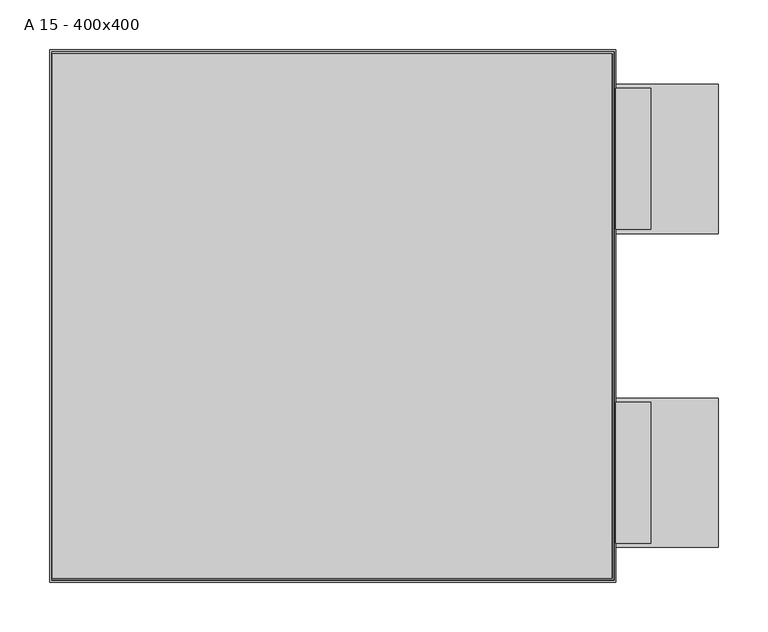
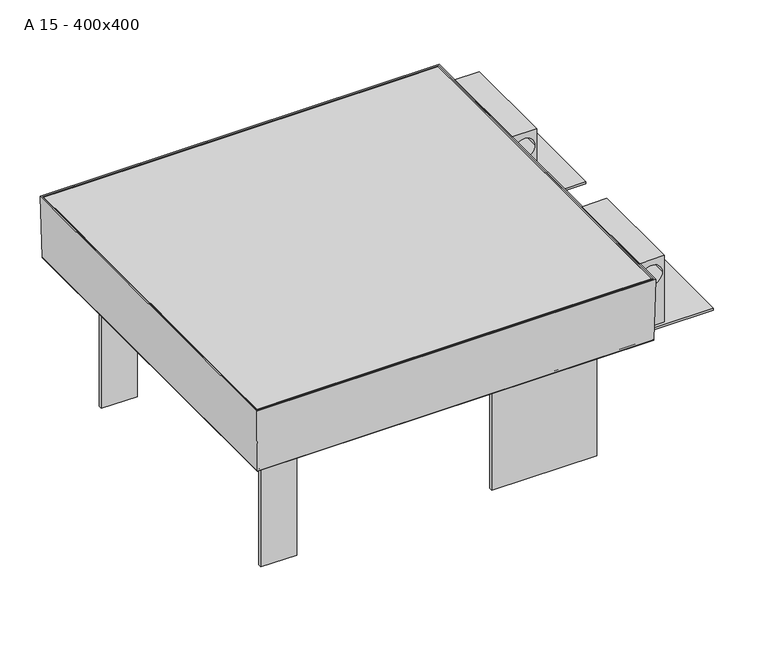
"""IFC4 building model written with IfcOpenShell, lengths in millimetres: proxy geometry, A 15 - 400x400."""

from ifc_helpers import new_model, si_unit, point, frame, frame_2d, origin, place, context, project, spatial, polyline, circle_curve, ellipse_curve, trimmed, segment, composite_curve, outline, extrude, source, transform, mapped, element, save
from ifc_brep_helpers import plane_surface, cylinder_surface, revolved_surface, advanced_brep


def a_15_400x400_4f975222(model_context):
    return source(origin(), model_context, "Body", "SolidModel", [
        extrude(outline(polyline([(238.0, -82.7888671), (388.0, -82.7888671), (388.0, -233.0), (238.0, -233.0), (238.0, -82.7888671)])), frame((0.0, 0.0, -104.0), z_axis=(0.0, 0.0, 1.0), x_axis=(1.0, 0.0, 0.0)), (0.0, 0.0, 1.0), 3.0),
        extrude(outline(polyline([(0.0, 320.0), (0.0, 285.0), (-101.0, 285.0), (-101.0, 320.0), (0.0, 320.0)]), holes=[composite_curve([segment(trimmed(circle_curve(frame_2d((-23.8203371, 302.4245301)), 15.0), [point((-23.8203371, 287.4245301))], [point((-23.8203371, 317.4245301))], True, "CARTESIAN"), True, "CONTINUOUS"), segment(trimmed(circle_curve(frame_2d((-23.8203371, 302.4245301)), 15.0), [point((-23.8203371, 317.4245301))], [point((-23.8203371, 287.4245301))], True, "CARTESIAN"), True, "CONTINUOUS")], self_intersect=False)]), frame((0.0, -228.6519206, 0.0), z_axis=(0.0, 1.0, 0.0), x_axis=(0.0, 0.0, 1.0)), (0.0, 0.0, 1.0), 142.0),
        extrude(outline(polyline([(238.0, 233.0), (388.0, 233.0), (388.0, 82.7888671), (238.0, 82.7888671), (238.0, 233.0)])), frame((0.0, 0.0, -104.0), z_axis=(0.0, 0.0, 1.0), x_axis=(1.0, 0.0, 0.0)), (0.0, 0.0, 1.0), 3.0),
        extrude(outline(polyline([(0.0, 320.0), (0.0, 285.0), (-101.0, 285.0), (-101.0, 320.0), (0.0, 320.0)]), holes=[composite_curve([segment(trimmed(circle_curve(frame_2d((-23.8203371, 302.4245301)), 15.0), [point((-23.8203371, 287.4245301))], [point((-23.8203371, 317.4245301))], True, "CARTESIAN"), True, "CONTINUOUS"), segment(trimmed(circle_curve(frame_2d((-23.8203371, 302.4245301)), 15.0), [point((-23.8203371, 317.4245301))], [point((-23.8203371, 287.4245301))], True, "CARTESIAN"), True, "CONTINUOUS")], self_intersect=False)]), frame((0.0, 87.1369465, 0.0), z_axis=(0.0, 1.0, 0.0), x_axis=(0.0, 0.0, 1.0)), (0.0, 0.0, 1.0), 142.0),
        extrude(outline(polyline([(-190.0, 67.5), (-185.0, 67.5), (-185.0, 2.5), (185.0, 2.5), (185.0, 67.5), (190.0, 67.5), (190.0, -67.5), (185.0, -67.5), (185.0, -2.5), (-185.0, -2.5), (-185.0, -67.5), (-190.0, -67.5), (-190.0, 67.5)])), frame((0.0, 0.0, -134.0), z_axis=(0.0, 0.0, 1.0), x_axis=(1.0, 0.0, 0.0)), (0.0, 0.0, 1.0), 30.0),
        extrude(outline(polyline([(-282.3953955, -208.9987388), (-282.3953955, 208.9987388), (-282.3953955, 263.9987388), (-227.3953955, 263.9987388), (225.9987388, 263.9987388), (280.9987388, 263.9987388), (280.9987388, 208.9987388), (280.9987388, -208.9987388), (280.9987388, -263.9987388), (225.9987388, -263.9987388), (-227.3953955, -263.9987388), (-282.3953955, -263.9987388), (-282.3953955, -208.9987388)])), frame((0.0, 0.0, -5.0), z_axis=(0.0, 0.0, 1.0), x_axis=(1.0, 0.0, 0.0)), (0.0, 0.0, 1.0), 5.0),
        advanced_brep(
        [(-215.5, 198.5, -76.8748363), (-215.5, -198.5, -76.8748363), (215.5, -198.5, -76.8748363), (215.5, 198.5, -76.8748363), (278.9605243, 261.9605243, -80.0), (278.9605243, -261.9605243, -80.0), (-278.9605243, -261.9605243, -80.0), (-278.9605243, 261.9605243, -80.0), (-215.5, 198.5, -77.9987834), (-215.5, -198.5, -77.9987834), (215.5, -198.5, -77.9987834), (215.5, 198.5, -77.9987834), (280.2486912, 263.2486912, -78.7973005), (280.2486912, -263.2486912, -78.7973005), (278.3145448, 261.3145448, -76.8748363), (277.1900014, 260.1900014, -77.9987834), (277.1900014, -260.1900014, -77.9987834), (278.3145448, -261.3145448, -76.8748363), (280.9987388, -263.9987388, 0.0), (280.9987388, 263.9987388, 0.0), (283.0000107, 266.0000107, 0.0), (283.0000107, -266.0000107, 0.0), (-280.2486912, -263.2486912, -78.7973005), (-277.1900014, -260.1900014, -77.9987834), (-278.3145448, -261.3145448, -76.8748363), (-280.9987388, -263.9987388, 0.0), (-283.0000107, -266.0000107, 0.0), (-280.2486912, 263.2486912, -78.7973005), (-277.1900014, 260.1900014, -77.9987834), (-278.3145448, 261.3145448, -76.8748363), (-280.9987388, 263.9987388, 0.0), (-283.0000107, 266.0000107, 0.0)],
        [
            (0, 1),
            (1, 2),
            (2, 3),
            (3, 0),
            (4, 5),
            (5, 6),
            (6, 7),
            (7, 4),
            (0, 8),
            (8, 9),
            (9, 1),
            (9, 10),
            (10, 2),
            (10, 11),
            (11, 3),
            (11, 8),
            (4, 12, ellipse_curve(frame((278.9605243, 261.9605243, -78.7087963), z_axis=(0.7071067811865475, -0.7071067811865475, 0.0), x_axis=(0.7071067811865474, 0.7071067811865476, 0.0)), 1.8260378, 1.2912037)),
            (12, 13),
            (13, 5, ellipse_curve(frame((278.9605243, -261.9605243, -78.7087963), z_axis=(0.7071067811865475, 0.7071067811865475, 0.0), x_axis=(-0.7071067811865474, 0.7071067811865476, 0.0)), 1.8260378, 1.2912037)),
            (14, 15, ellipse_curve(frame((277.0254138, 260.0254138, -76.7095649), z_axis=(-0.7071067811865475, 0.7071067811865475, 0.0), x_axis=(-0.7071067811865474, -0.7071067811865476, 0.0)), 1.838028, 1.2996821)),
            (15, 16),
            (16, 17, ellipse_curve(frame((277.0254138, -260.0254138, -76.7095649), z_axis=(-0.7071067811865475, -0.7071067811865475, 0.0), x_axis=(0.7071067811865474, -0.7071067811865476, 0.0)), 1.838028, 1.2996821)),
            (17, 14),
            (17, 18),
            (18, 19),
            (19, 14),
            (12, 20),
            (20, 21),
            (21, 13),
            (13, 22),
            (22, 6, ellipse_curve(frame((-278.9605243, -261.9605243, -78.7087963), z_axis=(0.7071067811865475, -0.7071067811865475, 0.0), x_axis=(0.7071067811865476, 0.7071067811865474, 0.0)), 1.8260378, 1.2912037)),
            (16, 23),
            (23, 24, ellipse_curve(frame((-277.0254138, -260.0254138, -76.7095649), z_axis=(-0.7071067811865475, 0.7071067811865475, 0.0), x_axis=(-0.7071067811865476, -0.7071067811865474, 0.0)), 1.838028, 1.2996821)),
            (24, 17),
            (24, 25),
            (25, 18),
            (21, 26),
            (26, 22),
            (22, 27),
            (27, 7, ellipse_curve(frame((-278.9605243, 261.9605243, -78.7087963), z_axis=(-0.7071067811865475, -0.7071067811865475, 0.0), x_axis=(0.7071067811865474, -0.7071067811865476, 0.0)), 1.8260378, 1.2912037)),
            (23, 28),
            (28, 29, ellipse_curve(frame((-277.0254138, 260.0254138, -76.7095649), z_axis=(0.7071067811865475, 0.7071067811865475, 0.0), x_axis=(-0.7071067811865474, 0.7071067811865476, 0.0)), 1.838028, 1.2996821)),
            (29, 24),
            (29, 30),
            (30, 25),
            (26, 31),
            (31, 27),
            (27, 12),
            (15, 28),
            (14, 29),
            (19, 30),
            (20, 31),
        ],
        [
            plane_surface(frame((-215.5, -198.5, -76.8748363), z_axis=(0.0, 0.0, 1.0), x_axis=(0.0, -1.0, 0.0))),
            plane_surface(frame((-215.5, -198.5, -80.0), z_axis=(0.0, 0.0, -1.0), x_axis=(0.0, 1.0, 0.0))),
            plane_surface(frame((-215.5, 198.5, -76.8748363), z_axis=(-1.0, 0.0, 0.0), x_axis=(0.0, 0.0, -1.0))),
            plane_surface(frame((-215.5, -198.5, -76.8748363), z_axis=(0.0, -1.0, 0.0), x_axis=(0.0, 0.0, -1.0))),
            plane_surface(frame((215.5, -198.5, -76.8748363), z_axis=(1.0, 0.0, 0.0), x_axis=(0.0, 0.0, -1.0))),
            plane_surface(frame((215.5, 198.5, -76.8748363), z_axis=(0.0, 1.0, 0.0), x_axis=(0.0, 0.0, -1.0))),
            cylinder_surface(frame((278.9605243, 266.0, -78.7087963), z_axis=(0.0, 1.0, 0.0), x_axis=(1.0, 0.0, 0.0)), 1.2912037),
            revolved_surface(polyline([(278.3250959, -261.3250958628108, -76.7095649), (278.3250959, 261.32509586281077, -76.7095649)]), (277.0254138, 266.0, -76.7095649), (0.0, -1.0, 0.0)),
            plane_surface(frame((278.3145448, 261.3145448, -76.8748363), z_axis=(-0.9993909786628093, 0.0, 0.03489515392417886), x_axis=(0.0, -1.0, 0.0))),
            plane_surface(frame((283.0000107, 266.0000107, 0.0), z_axis=(0.9993909786628093, 0.0, -0.03489515392417882), x_axis=(0.0, -1.0, 0.0))),
            cylinder_surface(frame((283.0, -261.9605243, -78.7087963), z_axis=(1.0, 0.0, 0.0), x_axis=(0.0, -1.0, 0.0)), 1.2912037),
            revolved_surface(polyline([(-278.3250958628108, -261.3250959, -76.7095649), (278.32509586281077, -261.3250959, -76.7095649)]), (283.0, -260.0254138, -76.7095649), (-1.0, 0.0, 0.0)),
            plane_surface(frame((278.3145448, -261.3145448, -76.8748363), z_axis=(0.0, 0.9993909786628093, 0.03489515392417886), x_axis=(-1.0, 0.0, 0.0))),
            plane_surface(frame((283.0000107, -266.0000107, 0.0), z_axis=(0.0, -0.9993909786628093, -0.03489515392417882), x_axis=(-1.0, 0.0, 0.0))),
            cylinder_surface(frame((-278.9605243, -266.0, -78.7087963), z_axis=(0.0, -1.0, 0.0), x_axis=(-1.0, 0.0, 0.0)), 1.2912037),
            revolved_surface(polyline([(-278.3250959, 261.3250958628108, -76.7095649), (-278.3250959, -261.32509586281077, -76.7095649)]), (-277.0254138, -266.0, -76.7095649), (0.0, 1.0, 0.0)),
            plane_surface(frame((-278.3145448, -261.3145448, -76.8748363), z_axis=(0.9993909786628093, 0.0, 0.03489515392417886), x_axis=(0.0, 1.0, 0.0))),
            plane_surface(frame((-283.0000107, -266.0000107, 0.0), z_axis=(-0.9993909786628093, 0.0, -0.03489515392417882), x_axis=(0.0, 1.0, 0.0))),
            cylinder_surface(frame((-283.0, 261.9605243, -78.7087963), z_axis=(-1.0, 0.0, 0.0), x_axis=(0.0, 1.0, 0.0)), 1.2912037),
            plane_surface(frame((-247.6109139, 230.6109139, -77.9987834), z_axis=(0.0, 0.0, 1.0), x_axis=(1.0, 0.0, 0.0))),
            revolved_surface(polyline([(278.3250958628108, 261.3250959, -76.7095649), (-278.32509586281077, 261.3250959, -76.7095649)]), (-283.0, 260.0254138, -76.7095649), (1.0, 0.0, 0.0)),
            plane_surface(frame((-278.3145448, 261.3145448, -76.8748363), z_axis=(0.0, -0.9993909786628093, 0.03489515392417886), x_axis=(1.0, 0.0, 0.0))),
            plane_surface(frame((-280.9987388, 263.9987388, 0.0), z_axis=(0.0, 0.0, 1.0), x_axis=(1.0, 0.0, 0.0))),
            plane_surface(frame((-283.0000107, 266.0000107, 0.0), z_axis=(0.0, 0.9993909786628093, -0.03489515392417882), x_axis=(1.0, 0.0, 0.0))),
        ],
        [
            (0, [[1, 2, 3, 4]]),
            (1, [[5, 6, 7, 8]]),
            (2, [[-1, 9, 10, 11]]),
            (3, [[-2, -11, 12, 13]]),
            (4, [[-3, -13, 14, 15]]),
            (5, [[-4, -15, 16, -9]]),
            (6, [[17, 18, 19, -5]]),
            (7, [[20, 21, 22, 23]]),
            (8, [[-23, 24, 25, 26]]),
            (9, [[-18, 27, 28, 29]]),
            (10, [[-19, 30, 31, -6]]),
            (11, [[-22, 32, 33, 34]]),
            (12, [[-24, -34, 35, 36]]),
            (13, [[-29, 37, 38, -30]]),
            (14, [[-31, 39, 40, -7]]),
            (15, [[-33, 41, 42, 43]]),
            (16, [[-35, -43, 44, 45]]),
            (17, [[-38, 46, 47, -39]]),
            (18, [[-17, -8, -40, 48]]),
            (19, [[-21, 49, -41, -32], [-10, -16, -14, -12]]),
            (20, [[-20, 50, -42, -49]]),
            (21, [[-26, 51, -44, -50]]),
            (22, [[-28, 52, -46, -37], [-25, -36, -45, -51]]),
            (23, [[-27, -48, -47, -52]]),
        ],
    ),
        advanced_brep(
        [(282.0603915, 265.0603915, -93.0), (283.3814929, 266.3814929, -91.7973005), (283.3814929, -266.3814929, -91.7973005), (282.0603915, -265.0603915, -93.0), (249.491936, 232.491936, -93.5068236), (250.3495131, 233.3495131, -93.0), (250.3495131, -233.3495131, -93.0), (249.491936, -232.491936, -93.5068236), (239.5430631, 222.5430631, -103.4568727), (239.5430631, -222.5430631, -103.4568727), (238.5631773, 221.5631773, -104.0), (238.5631773, -221.5631773, -104.0), (217.0, 200.0, -102.0), (219.0, 202.0, -104.0), (219.0, -202.0, -104.0), (217.0, -200.0, -102.0), (217.0, 200.0, -91.0), (217.0, -200.0, -91.0), (219.0, 202.0, -91.0), (219.0, -202.0, -91.0), (219.0, -202.0, -100.1412819), (219.0, 202.0, -100.1412819), (220.5596496, 203.5596496, -102.0), (220.5596496, -203.5596496, -102.0), (238.6238392, 221.6238392, -101.5476755), (237.8710448, 220.8710448, -102.0), (237.8710448, -220.8710448, -102.0), (238.6238392, -221.6238392, -101.5476755), (248.7056833, 231.7056833, -91.4646396), (248.7056833, -231.7056833, -91.4646396), (249.6109139, 232.6109139, -90.9987834), (249.6109139, -232.6109139, -90.9987834), (281.414412, 264.414412, -89.9085487), (280.2898686, 263.2898686, -90.9987834), (280.2898686, -263.2898686, -90.9987834), (281.414412, -264.414412, -89.9085487), (282.9987388, 265.9987388, 0.0), (282.9987388, -265.9987388, 0.0), (284.9991024, 267.9991024, 0.0), (284.9991024, -267.9991024, 0.0), (-283.3814929, -266.3814929, -91.7973005), (-282.0603915, -265.0603915, -93.0), (-250.3495131, -233.3495131, -93.0), (-249.491936, -232.491936, -93.5068236), (-239.5430631, -222.5430631, -103.4568727), (-238.5631773, -221.5631773, -104.0), (-219.0, -202.0, -104.0), (-217.0, -200.0, -102.0), (-217.0, -200.0, -91.0), (-219.0, -202.0, -91.0), (-219.0, -202.0, -100.1412819), (-220.5596496, -203.5596496, -102.0), (-237.8710448, -220.8710448, -102.0), (-238.6238392, -221.6238392, -101.5476755), (-248.7056833, -231.7056833, -91.4646396), (-249.6109139, -232.6109139, -90.9987834), (-280.2898686, -263.2898686, -90.9987834), (-281.414412, -264.414412, -89.9085487), (-282.9987388, -265.9987388, 0.0), (-284.9991024, -267.9991024, 0.0), (-283.3814929, 266.3814929, -91.7973005), (-282.0603915, 265.0603915, -93.0), (-250.3495131, 233.3495131, -93.0), (-249.491936, 232.491936, -93.5068236), (-239.5430631, 222.5430631, -103.4568727), (-238.5631773, 221.5631773, -104.0), (-219.0, 202.0, -104.0), (-217.0, 200.0, -102.0), (-217.0, 200.0, -91.0), (-219.0, 202.0, -91.0), (-219.0, 202.0, -100.1412819), (-220.5596496, 203.5596496, -102.0), (-237.8710448, 220.8710448, -102.0), (-238.6238392, 221.6238392, -101.5476755), (-248.7056833, 231.7056833, -91.4646396), (-249.6109139, 232.6109139, -90.9987834), (-280.2898686, 263.2898686, -90.9987834), (-281.414412, 264.414412, -89.9085487), (-282.9987388, 265.9987388, 0.0), (-284.9991024, 267.9991024, 0.0)],
        [
            (0, 1, ellipse_curve(frame((282.0603915, 265.0603915, -91.6730704), z_axis=(0.7071067811865475, -0.7071067811865475, 0.0), x_axis=(0.7071067811865474, 0.7071067811865476, 0.0)), 1.8765619, 1.3269296)),
            (1, 2),
            (2, 3, ellipse_curve(frame((282.0603915, -265.0603915, -91.6730704), z_axis=(0.7071067811865475, 0.7071067811865475, 0.0), x_axis=(-0.7071067811865474, 0.7071067811865476, 0.0)), 1.8765619, 1.3269296)),
            (3, 0),
            (4, 5, ellipse_curve(frame((250.9062332, 233.9062332, -94.9209536), z_axis=(-0.7071067811865475, 0.7071067811865475, 0.0), x_axis=(-0.7071067811865474, -0.7071067811865476, 0.0)), 2.8284271, 2.0)),
            (5, 6),
            (6, 7, ellipse_curve(frame((250.9062332, -233.9062332, -94.9209536), z_axis=(-0.7071067811865475, -0.7071067811865475, 0.0), x_axis=(0.7071067811865474, -0.7071067811865476, 0.0)), 2.8284271, 2.0)),
            (7, 4),
            (8, 4),
            (7, 9),
            (9, 8),
            (10, 8, ellipse_curve(frame((237.0169048, 220.0169048, -100.0547885), z_axis=(0.7071067811865475, -0.7071067811865475, 0.0), x_axis=(0.7071067811865474, 0.7071067811865476, 0.0)), 5.9926042, 4.237411)),
            (9, 11, ellipse_curve(frame((237.0169048, -220.0169048, -100.0547885), z_axis=(0.7071067811865475, 0.7071067811865475, 0.0), x_axis=(-0.7071067811865474, 0.7071067811865476, 0.0)), 5.9926042, 4.237411)),
            (11, 10),
            (12, 13, ellipse_curve(frame((220.5491099, 203.5491099, -100.4508901), z_axis=(0.7071067811865475, -0.7071067811865475, 0.0), x_axis=(0.7071067811865474, 0.7071067811865476, 0.0)), 5.4764811, 3.872457)),
            (13, 14),
            (14, 15, ellipse_curve(frame((220.5491099, -203.5491099, -100.4508901), z_axis=(0.7071067811865475, 0.7071067811865475, 0.0), x_axis=(-0.7071067811865474, 0.7071067811865476, 0.0)), 5.4764811, 3.872457)),
            (15, 12),
            (16, 12),
            (15, 17),
            (17, 16),
            (18, 19),
            (19, 20),
            (20, 21),
            (21, 18),
            (22, 21, ellipse_curve(frame((220.9978512, 203.9978512, -100.0485955), z_axis=(-0.7071067811865475, 0.7071067811865475, 0.0), x_axis=(-0.7071067811865474, -0.7071067811865476, 0.0)), 2.8284271, 2.0)),
            (20, 23, ellipse_curve(frame((220.9978512, -203.9978512, -100.0485955), z_axis=(-0.7071067811865475, -0.7071067811865475, 0.0), x_axis=(0.7071067811865474, -0.7071067811865476, 0.0)), 2.8284271, 2.0)),
            (23, 22),
            (24, 25, ellipse_curve(frame((237.2425005, 220.2425005, -100.1013342), z_axis=(-0.7071067811865475, 0.7071067811865475, 0.0), x_axis=(-0.7071067811865474, -0.7071067811865476, 0.0)), 2.8284271, 2.0)),
            (25, 26),
            (26, 27, ellipse_curve(frame((237.2425005, -220.2425005, -100.1013342), z_axis=(-0.7071067811865475, -0.7071067811865475, 0.0), x_axis=(0.7071067811865474, -0.7071067811865476, 0.0)), 2.8284271, 2.0)),
            (27, 24),
            (28, 24),
            (27, 29),
            (29, 28),
            (30, 28, ellipse_curve(frame((249.9486156, 232.9486156, -92.7674195), z_axis=(0.7071067811865475, -0.7071067811865475, 0.0), x_axis=(0.7071067811865474, 0.7071067811865476, 0.0)), 2.5464155, 1.8005877)),
            (29, 31, ellipse_curve(frame((249.9486156, -232.9486156, -92.7674195), z_axis=(0.7071067811865475, 0.7071067811865475, 0.0), x_axis=(-0.7071067811865474, 0.7071067811865476, 0.0)), 2.5464155, 1.8005877)),
            (31, 30),
            (32, 33, ellipse_curve(frame((280.125281, 263.125281, -89.7039331), z_axis=(-0.7071067811865475, 0.7071067811865475, 0.0), x_axis=(-0.7071067811865474, -0.7071067811865476, 0.0)), 1.8459287, 1.3052687)),
            (33, 34),
            (34, 35, ellipse_curve(frame((280.125281, -263.125281, -89.7039331), z_axis=(-0.7071067811865475, -0.7071067811865475, 0.0), x_axis=(0.7071067811865474, -0.7071067811865476, 0.0)), 1.8459287, 1.3052687)),
            (35, 32),
            (36, 32),
            (35, 37),
            (37, 36),
            (1, 38),
            (38, 39),
            (39, 2),
            (2, 40),
            (40, 41, ellipse_curve(frame((-282.0603915, -265.0603915, -91.6730704), z_axis=(0.7071067811865475, -0.7071067811865475, 0.0), x_axis=(0.7071067811865476, 0.7071067811865474, 0.0)), 1.8765619, 1.3269296)),
            (41, 3),
            (6, 42),
            (42, 43, ellipse_curve(frame((-250.9062332, -233.9062332, -94.9209536), z_axis=(-0.7071067811865475, 0.7071067811865475, 0.0), x_axis=(-0.7071067811865476, -0.7071067811865474, 0.0)), 2.8284271, 2.0)),
            (43, 7),
            (43, 44),
            (44, 9),
            (44, 45, ellipse_curve(frame((-237.0169048, -220.0169048, -100.0547885), z_axis=(0.7071067811865475, -0.7071067811865475, 0.0), x_axis=(0.7071067811865476, 0.7071067811865474, 0.0)), 5.9926042, 4.237411)),
            (45, 11),
            (14, 46),
            (46, 47, ellipse_curve(frame((-220.5491099, -203.5491099, -100.4508901), z_axis=(0.7071067811865475, -0.7071067811865475, 0.0), x_axis=(0.7071067811865476, 0.7071067811865474, 0.0)), 5.4764811, 3.872457)),
            (47, 15),
            (47, 48),
            (48, 17),
            (19, 49),
            (49, 50),
            (50, 20),
            (50, 51, ellipse_curve(frame((-220.9978512, -203.9978512, -100.0485955), z_axis=(-0.7071067811865475, 0.7071067811865475, 0.0), x_axis=(-0.7071067811865476, -0.7071067811865474, 0.0)), 2.8284271, 2.0)),
            (51, 23),
            (26, 52),
            (52, 53, ellipse_curve(frame((-237.2425005, -220.2425005, -100.1013342), z_axis=(-0.7071067811865475, 0.7071067811865475, 0.0), x_axis=(-0.7071067811865476, -0.7071067811865474, 0.0)), 2.8284271, 2.0)),
            (53, 27),
            (53, 54),
            (54, 29),
            (54, 55, ellipse_curve(frame((-249.9486156, -232.9486156, -92.7674195), z_axis=(0.7071067811865475, -0.7071067811865475, 0.0), x_axis=(0.7071067811865476, 0.7071067811865474, 0.0)), 2.5464155, 1.8005877)),
            (55, 31),
            (34, 56),
            (56, 57, ellipse_curve(frame((-280.125281, -263.125281, -89.7039331), z_axis=(-0.7071067811865475, 0.7071067811865475, 0.0), x_axis=(-0.7071067811865476, -0.7071067811865474, 0.0)), 1.8459287, 1.3052687)),
            (57, 35),
            (57, 58),
            (58, 37),
            (39, 59),
            (59, 40),
            (40, 60),
            (60, 61, ellipse_curve(frame((-282.0603915, 265.0603915, -91.6730704), z_axis=(-0.7071067811865475, -0.7071067811865475, 0.0), x_axis=(0.7071067811865474, -0.7071067811865476, 0.0)), 1.8765619, 1.3269296)),
            (61, 41),
            (42, 62),
            (62, 63, ellipse_curve(frame((-250.9062332, 233.9062332, -94.9209536), z_axis=(0.7071067811865475, 0.7071067811865475, 0.0), x_axis=(-0.7071067811865474, 0.7071067811865476, 0.0)), 2.8284271, 2.0)),
            (63, 43),
            (63, 64),
            (64, 44),
            (64, 65, ellipse_curve(frame((-237.0169048, 220.0169048, -100.0547885), z_axis=(-0.7071067811865475, -0.7071067811865475, 0.0), x_axis=(0.7071067811865474, -0.7071067811865476, 0.0)), 5.9926042, 4.237411)),
            (65, 45),
            (46, 66),
            (66, 67, ellipse_curve(frame((-220.5491099, 203.5491099, -100.4508901), z_axis=(-0.7071067811865475, -0.7071067811865475, 0.0), x_axis=(0.7071067811865474, -0.7071067811865476, 0.0)), 5.4764811, 3.872457)),
            (67, 47),
            (67, 68),
            (68, 48),
            (49, 69),
            (69, 70),
            (70, 50),
            (70, 71, ellipse_curve(frame((-220.9978512, 203.9978512, -100.0485955), z_axis=(0.7071067811865475, 0.7071067811865475, 0.0), x_axis=(-0.7071067811865474, 0.7071067811865476, 0.0)), 2.8284271, 2.0)),
            (71, 51),
            (52, 72),
            (72, 73, ellipse_curve(frame((-237.2425005, 220.2425005, -100.1013342), z_axis=(0.7071067811865475, 0.7071067811865475, 0.0), x_axis=(-0.7071067811865474, 0.7071067811865476, 0.0)), 2.8284271, 2.0)),
            (73, 53),
            (73, 74),
            (74, 54),
            (74, 75, ellipse_curve(frame((-249.9486156, 232.9486156, -92.7674195), z_axis=(-0.7071067811865475, -0.7071067811865475, 0.0), x_axis=(0.7071067811865474, -0.7071067811865476, 0.0)), 2.5464155, 1.8005877)),
            (75, 55),
            (56, 76),
            (76, 77, ellipse_curve(frame((-280.125281, 263.125281, -89.7039331), z_axis=(0.7071067811865475, 0.7071067811865475, 0.0), x_axis=(-0.7071067811865474, 0.7071067811865476, 0.0)), 1.8459287, 1.3052687)),
            (77, 57),
            (77, 78),
            (78, 58),
            (59, 79),
            (79, 60),
            (60, 1),
            (0, 61),
            (5, 62),
            (4, 63),
            (8, 64),
            (10, 65),
            (13, 66),
            (12, 67),
            (16, 68),
            (18, 69),
            (21, 70),
            (22, 71),
            (25, 72),
            (24, 73),
            (28, 74),
            (30, 75),
            (33, 76),
            (32, 77),
            (36, 78),
            (38, 79),
        ],
        [
            cylinder_surface(frame((282.0603915, 268.0, -91.6730704), z_axis=(0.0, 1.0, 0.0), x_axis=(1.0, 0.0, 0.0)), 1.3269296),
            revolved_surface(polyline([(252.9062332, -235.90623318250175, -94.9209536), (252.9062332, 235.9062331825018, -94.9209536)]), (250.9062332, 268.0, -94.9209536), (0.0, -1.0, 0.0)),
            plane_surface(frame((249.491936, 232.491936, -93.5068236), z_axis=(0.7071485734026371, 0.0, -0.7070649865002617), x_axis=(0.0, -1.0, 0.0))),
            cylinder_surface(frame((237.0169048, 268.0, -100.0547885), z_axis=(0.0, 1.0, 0.0), x_axis=(1.0, 0.0, 0.0)), 4.237411),
            cylinder_surface(frame((220.5491099, 268.0, -100.4508901), z_axis=(0.0, 1.0, 0.0), x_axis=(1.0, 0.0, 0.0)), 3.872457),
            plane_surface(frame((217.0, 200.0, -102.0), z_axis=(-1.0, 0.0, 0.0), x_axis=(0.0, -1.0, 0.0))),
            plane_surface(frame((219.0, 202.0, -93.0), z_axis=(1.0, 0.0, 0.0), x_axis=(0.0, -1.0, 0.0))),
            revolved_surface(polyline([(222.9978512, -205.9978511825018, -100.0485955), (222.9978512, 205.99785118250182, -100.0485955)]), (220.9978512, 268.0, -100.0485955), (0.0, -1.0, 0.0)),
            revolved_surface(polyline([(239.2425005, -222.24250048250178, -100.1013342), (239.2425005, 222.2425004825018, -100.1013342)]), (237.2425005, 268.0, -100.1013342), (0.0, -1.0, 0.0)),
            plane_surface(frame((238.6238392, 221.6238392, -101.5476755), z_axis=(-0.7071485734026368, 0.0, 0.707064986500262), x_axis=(0.0, -1.0, 0.0))),
            cylinder_surface(frame((249.9486156, 268.0, -92.7674195), z_axis=(0.0, 1.0, 0.0), x_axis=(1.0, 0.0, 0.0)), 1.8005877),
            revolved_surface(polyline([(281.4305497, -264.4305497013569, -89.7039331), (281.4305497, 264.4305497013568, -89.7039331)]), (280.125281, 268.0, -89.7039331), (0.0, -1.0, 0.0)),
            plane_surface(frame((281.414412, 264.414412, -89.9085487), z_axis=(-0.9998447768717041, 0.0, 0.017618801388635606), x_axis=(0.0, -1.0, 0.0))),
            plane_surface(frame((284.9991024, 267.9991024, 0.0), z_axis=(0.9998447768717043, 0.0, -0.017618801388635447), x_axis=(0.0, -1.0, 0.0))),
            cylinder_surface(frame((285.0, -265.0603915, -91.6730704), z_axis=(1.0, 0.0, 0.0), x_axis=(0.0, -1.0, 0.0)), 1.3269296),
            revolved_surface(polyline([(-252.90623318250175, -235.9062332, -94.9209536), (252.9062331825018, -235.9062332, -94.9209536)]), (285.0, -233.9062332, -94.9209536), (-1.0, 0.0, 0.0)),
            plane_surface(frame((249.491936, -232.491936, -93.5068236), z_axis=(0.0, -0.7071485734026371, -0.7070649865002617), x_axis=(-1.0, 0.0, 0.0))),
            cylinder_surface(frame((285.0, -220.0169048, -100.0547885), z_axis=(1.0, 0.0, 0.0), x_axis=(0.0, -1.0, 0.0)), 4.237411),
            cylinder_surface(frame((285.0, -203.5491099, -100.4508901), z_axis=(1.0, 0.0, 0.0), x_axis=(0.0, -1.0, 0.0)), 3.872457),
            plane_surface(frame((217.0, -200.0, -102.0), z_axis=(0.0, 1.0, 0.0), x_axis=(-1.0, 0.0, 0.0))),
            plane_surface(frame((219.0, -202.0, -93.0), z_axis=(0.0, -1.0, 0.0), x_axis=(-1.0, 0.0, 0.0))),
            revolved_surface(polyline([(-222.9978511825018, -205.9978512, -100.0485955), (222.99785118250182, -205.9978512, -100.0485955)]), (285.0, -203.9978512, -100.0485955), (-1.0, 0.0, 0.0)),
            revolved_surface(polyline([(-239.24250048250178, -222.2425005, -100.1013342), (239.2425004825018, -222.2425005, -100.1013342)]), (285.0, -220.2425005, -100.1013342), (-1.0, 0.0, 0.0)),
            plane_surface(frame((238.6238392, -221.6238392, -101.5476755), z_axis=(0.0, 0.7071485734026368, 0.707064986500262), x_axis=(-1.0, 0.0, 0.0))),
            cylinder_surface(frame((285.0, -232.9486156, -92.7674195), z_axis=(1.0, 0.0, 0.0), x_axis=(0.0, -1.0, 0.0)), 1.8005877),
            revolved_surface(polyline([(-281.4305497013569, -264.4305497, -89.7039331), (281.4305497013568, -264.4305497, -89.7039331)]), (285.0, -263.125281, -89.7039331), (-1.0, 0.0, 0.0)),
            plane_surface(frame((281.414412, -264.414412, -89.9085487), z_axis=(0.0, 0.9998447768717041, 0.017618801388635606), x_axis=(-1.0, 0.0, 0.0))),
            plane_surface(frame((284.9991024, -267.9991024, 0.0), z_axis=(0.0, -0.9998447768717043, -0.017618801388635447), x_axis=(-1.0, 0.0, 0.0))),
            cylinder_surface(frame((-282.0603915, -268.0, -91.6730704), z_axis=(0.0, -1.0, 0.0), x_axis=(-1.0, 0.0, 0.0)), 1.3269296),
            revolved_surface(polyline([(-252.9062332, 235.90623318250175, -94.9209536), (-252.9062332, -235.9062331825018, -94.9209536)]), (-250.9062332, -268.0, -94.9209536), (0.0, 1.0, 0.0)),
            plane_surface(frame((-249.491936, -232.491936, -93.5068236), z_axis=(-0.7071485734026371, 0.0, -0.7070649865002617), x_axis=(0.0, 1.0, 0.0))),
            cylinder_surface(frame((-237.0169048, -268.0, -100.0547885), z_axis=(0.0, -1.0, 0.0), x_axis=(-1.0, 0.0, 0.0)), 4.237411),
            cylinder_surface(frame((-220.5491099, -268.0, -100.4508901), z_axis=(0.0, -1.0, 0.0), x_axis=(-1.0, 0.0, 0.0)), 3.872457),
            plane_surface(frame((-217.0, -200.0, -102.0), z_axis=(1.0, 0.0, 0.0), x_axis=(0.0, 1.0, 0.0))),
            plane_surface(frame((-219.0, -202.0, -93.0), z_axis=(-1.0, 0.0, 0.0), x_axis=(0.0, 1.0, 0.0))),
            revolved_surface(polyline([(-222.9978512, 205.9978511825018, -100.0485955), (-222.9978512, -205.99785118250182, -100.0485955)]), (-220.9978512, -268.0, -100.0485955), (0.0, 1.0, 0.0)),
            revolved_surface(polyline([(-239.2425005, 222.24250048250178, -100.1013342), (-239.2425005, -222.2425004825018, -100.1013342)]), (-237.2425005, -268.0, -100.1013342), (0.0, 1.0, 0.0)),
            plane_surface(frame((-238.6238392, -221.6238392, -101.5476755), z_axis=(0.7071485734026368, 0.0, 0.707064986500262), x_axis=(0.0, 1.0, 0.0))),
            cylinder_surface(frame((-249.9486156, -268.0, -92.7674195), z_axis=(0.0, -1.0, 0.0), x_axis=(-1.0, 0.0, 0.0)), 1.8005877),
            revolved_surface(polyline([(-281.4305497, 264.4305497013569, -89.7039331), (-281.4305497, -264.4305497013568, -89.7039331)]), (-280.125281, -268.0, -89.7039331), (0.0, 1.0, 0.0)),
            plane_surface(frame((-281.414412, -264.414412, -89.9085487), z_axis=(0.9998447768717041, 0.0, 0.017618801388635606), x_axis=(0.0, 1.0, 0.0))),
            plane_surface(frame((-284.9991024, -267.9991024, 0.0), z_axis=(-0.9998447768717043, 0.0, -0.017618801388635447), x_axis=(0.0, 1.0, 0.0))),
            cylinder_surface(frame((-285.0, 265.0603915, -91.6730704), z_axis=(-1.0, 0.0, 0.0), x_axis=(0.0, 1.0, 0.0)), 1.3269296),
            plane_surface(frame((-282.0603915, 265.0603915, -93.0), z_axis=(0.0, 0.0, -1.0), x_axis=(1.0, 0.0, 0.0))),
            revolved_surface(polyline([(252.90623318250175, 235.9062332, -94.9209536), (-252.9062331825018, 235.9062332, -94.9209536)]), (-285.0, 233.9062332, -94.9209536), (1.0, 0.0, 0.0)),
            plane_surface(frame((-249.491936, 232.491936, -93.5068236), z_axis=(0.0, 0.7071485734026371, -0.7070649865002617), x_axis=(1.0, 0.0, 0.0))),
            cylinder_surface(frame((-285.0, 220.0169048, -100.0547885), z_axis=(-1.0, 0.0, 0.0), x_axis=(0.0, 1.0, 0.0)), 4.237411),
            plane_surface(frame((-238.5631773, 221.5631773, -104.0), z_axis=(0.0, 0.0, -1.0), x_axis=(1.0, 0.0, 0.0))),
            cylinder_surface(frame((-285.0, 203.5491099, -100.4508901), z_axis=(-1.0, 0.0, 0.0), x_axis=(0.0, 1.0, 0.0)), 3.872457),
            plane_surface(frame((-217.0, 200.0, -102.0), z_axis=(0.0, -1.0, 0.0), x_axis=(1.0, 0.0, 0.0))),
            plane_surface(frame((-217.0, 200.0, -91.0), z_axis=(0.0, 0.0, 1.0), x_axis=(1.0, 0.0, 0.0))),
            plane_surface(frame((-219.0, 202.0, -93.0), z_axis=(0.0, 1.0, 0.0), x_axis=(1.0, 0.0, 0.0))),
            revolved_surface(polyline([(222.9978511825018, 205.9978512, -100.0485955), (-222.99785118250182, 205.9978512, -100.0485955)]), (-285.0, 203.9978512, -100.0485955), (1.0, 0.0, 0.0)),
            plane_surface(frame((-220.5596496, 203.5596496, -102.0), z_axis=(0.0, 0.0, 1.0), x_axis=(1.0, 0.0, 0.0))),
            revolved_surface(polyline([(239.24250048250178, 222.2425005, -100.1013342), (-239.2425004825018, 222.2425005, -100.1013342)]), (-285.0, 220.2425005, -100.1013342), (1.0, 0.0, 0.0)),
            plane_surface(frame((-238.6238392, 221.6238392, -101.5476755), z_axis=(0.0, -0.7071485734026368, 0.707064986500262), x_axis=(1.0, 0.0, 0.0))),
            cylinder_surface(frame((-285.0, 232.9486156, -92.7674195), z_axis=(-1.0, 0.0, 0.0), x_axis=(0.0, 1.0, 0.0)), 1.8005877),
            plane_surface(frame((-249.6109139, 232.6109139, -90.9987834), z_axis=(0.0, 0.0, 1.0), x_axis=(1.0, 0.0, 0.0))),
            revolved_surface(polyline([(281.4305497013569, 264.4305497, -89.7039331), (-281.4305497013568, 264.4305497, -89.7039331)]), (-285.0, 263.125281, -89.7039331), (1.0, 0.0, 0.0)),
            plane_surface(frame((-281.414412, 264.414412, -89.9085487), z_axis=(0.0, -0.9998447768717041, 0.017618801388635606), x_axis=(1.0, 0.0, 0.0))),
            plane_surface(frame((-282.9987388, 265.9987388, 0.0), z_axis=(0.0, 0.0, 1.0), x_axis=(1.0, 0.0, 0.0))),
            plane_surface(frame((-284.9991024, 267.9991024, 0.0), z_axis=(0.0, 0.9998447768717043, -0.017618801388635447), x_axis=(1.0, 0.0, 0.0))),
        ],
        [
            (0, [[1, 2, 3, 4]]),
            (1, [[5, 6, 7, 8]]),
            (2, [[9, -8, 10, 11]]),
            (3, [[12, -11, 13, 14]]),
            (4, [[15, 16, 17, 18]]),
            (5, [[19, -18, 20, 21]]),
            (6, [[22, 23, 24, 25]]),
            (7, [[26, -24, 27, 28]]),
            (8, [[29, 30, 31, 32]]),
            (9, [[33, -32, 34, 35]]),
            (10, [[36, -35, 37, 38]]),
            (11, [[39, 40, 41, 42]]),
            (12, [[43, -42, 44, 45]]),
            (13, [[46, 47, 48, -2]]),
            (14, [[-3, 49, 50, 51]]),
            (15, [[-7, 52, 53, 54]]),
            (16, [[-10, -54, 55, 56]]),
            (17, [[-13, -56, 57, 58]]),
            (18, [[-17, 59, 60, 61]]),
            (19, [[-20, -61, 62, 63]]),
            (20, [[-23, 64, 65, 66]]),
            (21, [[-27, -66, 67, 68]]),
            (22, [[-31, 69, 70, 71]]),
            (23, [[-34, -71, 72, 73]]),
            (24, [[-37, -73, 74, 75]]),
            (25, [[-41, 76, 77, 78]]),
            (26, [[-44, -78, 79, 80]]),
            (27, [[-48, 81, 82, -49]]),
            (28, [[-50, 83, 84, 85]]),
            (29, [[-53, 86, 87, 88]]),
            (30, [[-55, -88, 89, 90]]),
            (31, [[-57, -90, 91, 92]]),
            (32, [[-60, 93, 94, 95]]),
            (33, [[-62, -95, 96, 97]]),
            (34, [[-65, 98, 99, 100]]),
            (35, [[-67, -100, 101, 102]]),
            (36, [[-70, 103, 104, 105]]),
            (37, [[-72, -105, 106, 107]]),
            (38, [[-74, -107, 108, 109]]),
            (39, [[-77, 110, 111, 112]]),
            (40, [[-79, -112, 113, 114]]),
            (41, [[-82, 115, 116, -83]]),
            (42, [[-84, 117, -1, 118]]),
            (43, [[-51, -85, -118, -4], [119, -86, -52, -6]]),
            (44, [[-87, -119, -5, 120]]),
            (45, [[-89, -120, -9, 121]]),
            (46, [[-91, -121, -12, 122]]),
            (47, [[-58, -92, -122, -14], [123, -93, -59, -16]]),
            (48, [[-94, -123, -15, 124]]),
            (49, [[-96, -124, -19, 125]]),
            (50, [[126, -98, -64, -22], [-63, -97, -125, -21]]),
            (51, [[-99, -126, -25, 127]]),
            (52, [[-101, -127, -26, 128]]),
            (53, [[129, -103, -69, -30], [-68, -102, -128, -28]]),
            (54, [[-104, -129, -29, 130]]),
            (55, [[-106, -130, -33, 131]]),
            (56, [[-108, -131, -36, 132]]),
            (57, [[133, -110, -76, -40], [-75, -109, -132, -38]]),
            (58, [[-111, -133, -39, 134]]),
            (59, [[-113, -134, -43, 135]]),
            (60, [[136, -115, -81, -47], [-80, -114, -135, -45]]),
            (61, [[-116, -136, -46, -117]]),
        ],
    ),
        extrude(outline(polyline([(-189.0, -195.0), (-189.0, -200.0), (-240.0, -200.0), (-240.0, -195.0), (-189.0, -195.0)])), frame((0.0, 0.0, -292.0), z_axis=(0.0, 0.0, 1.0), x_axis=(1.0, 0.0, 0.0)), (0.0, 0.0, 1.0), 188.0),
        extrude(outline(polyline([(-189.0, 200.0), (-189.0, 195.0), (-240.0, 195.0), (-240.0, 200.0), (-189.0, 200.0)])), frame((0.0, 0.0, -292.0), z_axis=(0.0, 0.0, 1.0), x_axis=(1.0, 0.0, 0.0)), (0.0, 0.0, 1.0), 188.0),
        extrude(outline(polyline([(240.0, 195.0), (90.0, 195.0), (90.0, 200.0), (240.0, 200.0), (240.0, 195.0)])), frame((0.0, 0.0, -292.0), z_axis=(0.0, 0.0, 1.0), x_axis=(1.0, 0.0, 0.0)), (0.0, 0.0, 1.0), 188.0),
        extrude(outline(polyline([(240.0, -195.0), (240.0, -200.0), (90.0, -200.0), (90.0, -195.0), (240.0, -195.0)])), frame((0.0, 0.0, -292.0), z_axis=(0.0, 0.0, 1.0), x_axis=(1.0, 0.0, 0.0)), (0.0, 0.0, 1.0), 188.0),
    ])


if __name__ == "__main__":
    model = new_model("IFC4")
    model_context = context("Model", 3, world=origin())
    ifc_project = project(units=[si_unit("LENGTHUNIT", "METRE", prefix="MILLI")], contexts=[model_context])
    site = spatial("IfcSite", under=ifc_project)
    building = spatial("IfcBuilding", under=site)
    placement = place(None, origin())
    a_15_400x400_shape = a_15_400x400_4f975222(model_context)
    element("IfcBuildingElementProxy", 1, Name="A 15 - 400x400", ObjectType="A 15 - 400x400", at=placement, inside=building, context=model_context, shape_type="MappedRepresentation", body=[
        mapped(a_15_400x400_shape, transform((0.0, 0.0, 0.0), x_axis=(1.0, 0.0, 0.0), y_axis=(0.0, 1.0, 0.0), z_axis=(0.0, 0.0, 1.0))),
    ])
    save(model, "model.ifc")
